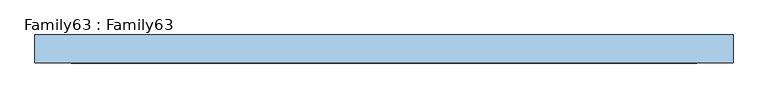
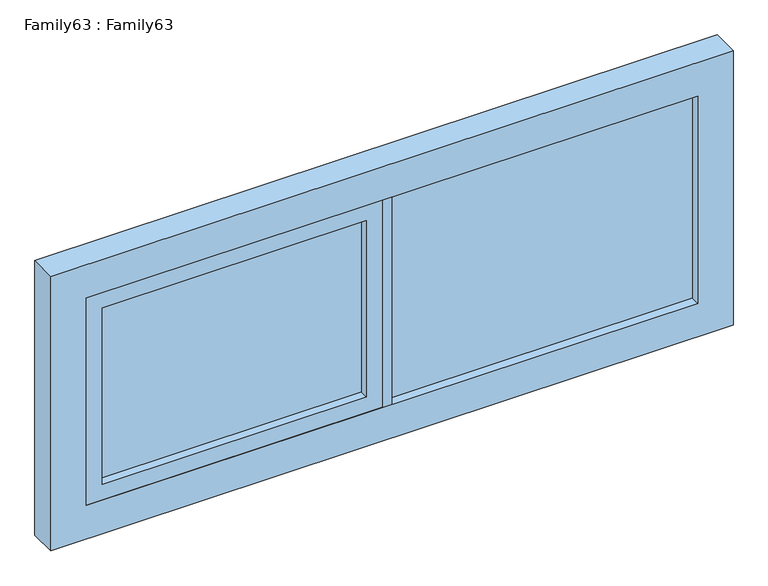
"""IFC4 building model written with IfcOpenShell, lengths in millimetres: window geometry, Family63 : Family63."""

from ifc_helpers import new_model, si_unit, frame, origin, place, context, project, spatial, polyline, outline, extrude, source, transform, mapped, element, save


def family63_family63_fb6a3f75(model_context):
    return source(origin(), model_context, "Body", "SweptSolid", [
        extrude(outline(polyline([(936.0, 14.0), (936.0, 10.0), (0.0, 10.0), (0.0, 14.0), (936.0, 14.0)])), frame((0.0, 0.0, 909.0), z_axis=(0.0, 0.0, 1.0), x_axis=(1.0, 0.0, 0.0)), (0.0, 0.0, 1.0), 672.0),
        extrude(outline(polyline([(0.0, -10.0), (936.0, -10.0), (936.0, -14.0), (0.0, -14.0), (0.0, -10.0)])), frame((0.0, 0.0, 909.0), z_axis=(0.0, 0.0, 1.0), x_axis=(1.0, 0.0, 0.0)), (0.0, 0.0, 1.0), 672.0),
        extrude(outline(polyline([(-77.4945996, 14.0), (-77.4945996, 10.0), (-886.0, 10.0), (-886.0, 14.0), (-77.4945996, 14.0)])), frame((0.0, 0.0, 959.0), z_axis=(0.0, 0.0, 1.0), x_axis=(1.0, 0.0, 0.0)), (0.0, 0.0, 1.0), 572.0),
        extrude(outline(polyline([(-77.4945996, -10.0), (-77.4945996, -14.0), (-886.0, -14.0), (-886.0, -10.0), (-77.4945996, -10.0)])), frame((0.0, 0.0, 959.0), z_axis=(0.0, 0.0, 1.0), x_axis=(1.0, 0.0, 0.0)), (0.0, 0.0, 1.0), 572.0),
        extrude(outline(polyline([(0.0, -42.0), (-27.4945996, -42.0), (-27.4945996, 42.0), (0.0, 42.0), (0.0, -42.0)])), frame((0.0, 0.0, 909.0), z_axis=(0.0, 0.0, 1.0), x_axis=(1.0, 0.0, 0.0)), (0.0, 0.0, 1.0), 672.0),
        extrude(outline(polyline([(1581.0, -27.4945996), (1581.0, -936.0), (909.0, -936.0), (909.0, -27.4945996), (1581.0, -27.4945996)]), holes=[polyline([(1531.0, -77.4945996), (959.0, -77.4945996), (959.0, -886.0), (1531.0, -886.0), (1531.0, -77.4945996)])]), frame((0.0, -40.0, 0.0), z_axis=(0.0, 1.0, 0.0), x_axis=(0.0, 0.0, 1.0)), (0.0, 0.0, 1.0), 80.0),
        extrude(outline(polyline([(1690.0, 1045.0), (1690.0, -1045.0), (800.0, -1045.0), (800.0, 1045.0), (1690.0, 1045.0)]), holes=[polyline([(909.0, 936.0), (909.0, -936.0), (1581.0, -936.0), (1581.0, 936.0), (909.0, 936.0)])]), frame((0.0, -42.0, 0.0), z_axis=(0.0, 1.0, 0.0), x_axis=(0.0, 0.0, 1.0)), (0.0, 0.0, 1.0), 84.0),
    ])


if __name__ == "__main__":
    model = new_model("IFC4")
    model_context = context("Model", 3, world=origin())
    ifc_project = project(units=[si_unit("LENGTHUNIT", "METRE", prefix="MILLI")], contexts=[model_context])
    site = spatial("IfcSite", under=ifc_project)
    building = spatial("IfcBuilding", under=site)
    placement = place(None, origin())
    family63_family63_shape = family63_family63_fb6a3f75(model_context)
    element("IfcWindow", 1, ObjectType="Family63 : Family63", at=placement, inside=building, context=model_context, shape_type="MappedRepresentation", body=[
        mapped(family63_family63_shape, transform((0.0, 0.0, 0.0), x_axis=(1.0, 0.0, 0.0), y_axis=(0.0, 1.0, 0.0), z_axis=(0.0, 0.0, 1.0))),
    ])
    save(model, "model.ifc")
